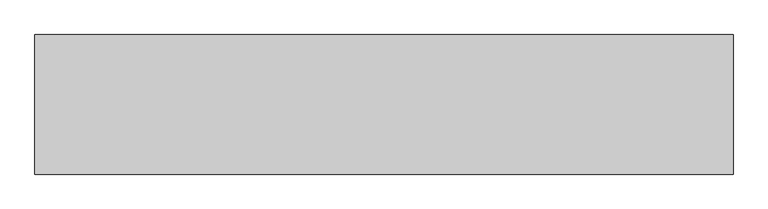
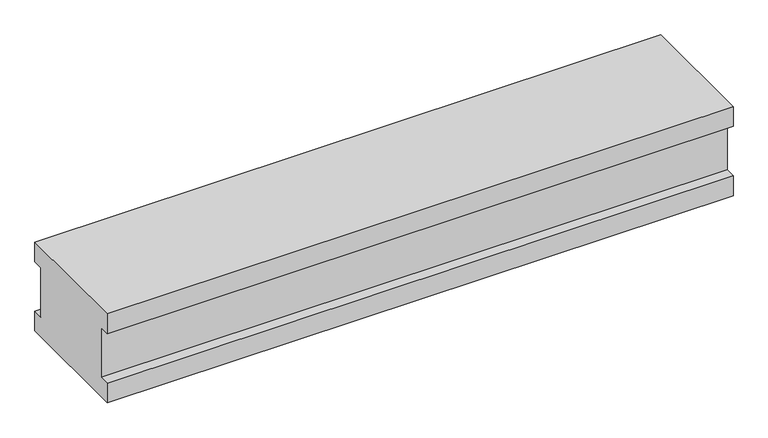
"""IFC4 building model written with IfcOpenShell, lengths in millimetres: proxy geometry."""

from ifc_helpers import new_model, si_unit, frame, origin, place, context, project, spatial, polyline, outline, extrude, source, transform, mapped, element, save


def electrical_fixtures_aeaf19f1(model_context):
    return source(origin(), model_context, "Body", "SweptSolid", [
        extrude(outline(polyline([(240.0, 180.0), (240.0, 140.0), (220.0, 140.0), (220.0, 40.0), (240.0, 40.0), (240.0, 0.0), (0.0, 0.0), (0.0, 40.0), (20.0, 40.0), (20.0, 140.0), (0.0, 140.0), (0.0, 180.0), (240.0, 180.0)])), frame((0.0, 0.0, 0.0), z_axis=(1.0, 0.0, 0.0), x_axis=(0.0, 1.0, 0.0)), (0.0, 0.0, 1.0), 1200.0),
    ])


if __name__ == "__main__":
    model = new_model("IFC4")
    model_context = context("Model", 3, world=origin())
    ifc_project = project(units=[si_unit("LENGTHUNIT", "METRE", prefix="MILLI")], contexts=[model_context])
    site = spatial("IfcSite", under=ifc_project)
    building = spatial("IfcBuilding", under=site)
    placement = place(None, origin())
    electrical_fixtures_shape = electrical_fixtures_aeaf19f1(model_context)
    element("IfcBuildingElementProxy", 1, Name="Electrical Fixtures", at=placement, inside=building, context=model_context, shape_type="MappedRepresentation", body=[
        mapped(electrical_fixtures_shape, transform((0.0, 0.0, 0.0), x_axis=(1.0, 0.0, 0.0), y_axis=(0.0, 1.0, 0.0), z_axis=(0.0, 0.0, 1.0))),
    ])
    save(model, "model.ifc")
